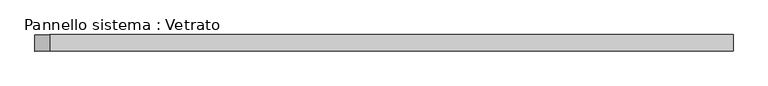
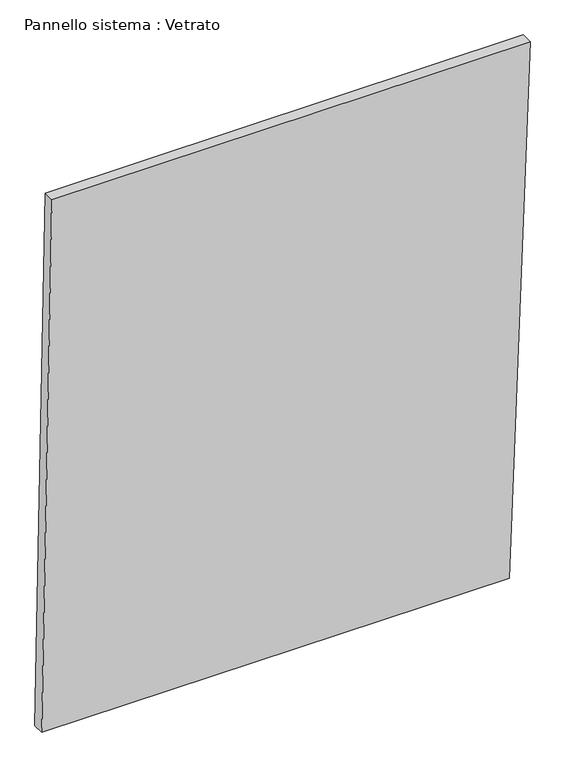
"""IFC4 building model written with IfcOpenShell, lengths in millimetres: plate geometry, Pannello sistema : Vetrato."""

from ifc_helpers import new_model, si_unit, frame, origin, place, context, project, spatial, polyline, outline, extrude, source, transform, mapped, element, save


def pannello_sistema_vetrato_2dd398e8(model_context):
    return source(origin(), model_context, "Body", "SweptSolid", [
        extrude(outline(polyline([(1.7828387, -634.92535), (0.0, 580.8287091), (1456.1892865, 634.92535), (1456.1892865, -608.1050351), (1.7828387, -634.92535)])), frame((0.0, -15.0, 0.0), z_axis=(0.0, 1.0, 0.0), x_axis=(0.0, 0.0, 1.0)), (0.0, 0.0, 1.0), 30.0),
    ])


if __name__ == "__main__":
    model = new_model("IFC4")
    model_context = context("Model", 3, world=origin())
    ifc_project = project(units=[si_unit("LENGTHUNIT", "METRE", prefix="MILLI")], contexts=[model_context])
    site = spatial("IfcSite", under=ifc_project)
    building = spatial("IfcBuilding", under=site)
    placement = place(None, origin())
    pannello_sistema_vetrato_shape = pannello_sistema_vetrato_2dd398e8(model_context)
    element("IfcPlate", 1, ObjectType="Pannello sistema : Vetrato", at=placement, inside=building, context=model_context, shape_type="MappedRepresentation", body=[
        mapped(pannello_sistema_vetrato_shape, transform((0.0, 0.0, 0.0), x_axis=(1.0, 0.0, 0.0), y_axis=(0.0, 1.0, 0.0), z_axis=(0.0, 0.0, 1.0))),
    ])
    save(model, "model.ifc")
